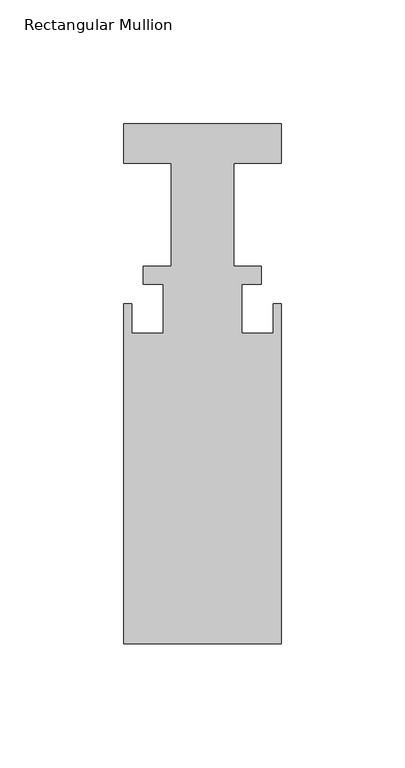
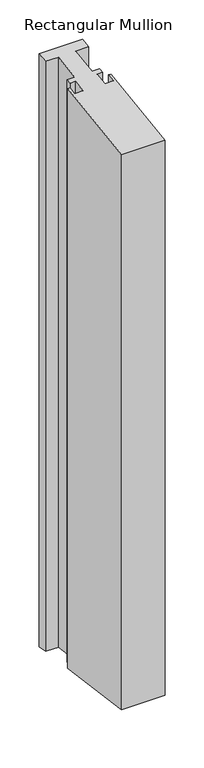
"""IFC4 building model written with IfcOpenShell, lengths in millimetres: member geometry, Rectangular Mullion."""

import ifcopenshell
import ifcopenshell.guid

model = None  # the IFC model being written
_history = None  # IfcOwnerHistory: only IFC2X3 demands one
_inside = {}  # id of a spatial element -> (the spatial element, [elements in it])
_under = {}  # id of a project, library or spatial element -> (it, [spatial elements below it])
_declared = {}  # id of a project -> (the project, [libraries it declares])
_typed = {}  # id of a type object -> (the type object, [elements of that type])
_made_of = {}  # id of a material, layer set ... -> (it, [elements and type objects made of it])


def new_model(schema):
    """Start an empty IFC model of exactly this schema.

    Asked for "IFC4X3", IfcOpenShell would pick the latest addendum, in which some entities
    have other attributes; the version numbers below select the first issue.
    IFC2X3 requires an IfcOwnerHistory on every rooted entity: one is made here for all.
    """
    global model, _history
    if schema == "IFC4X3":
        model = ifcopenshell.file(schema_version=(4, 3, 0, 0))
    else:
        model = ifcopenshell.file(schema=schema)
    _inside.clear()
    _under.clear()
    _declared.clear()
    _typed.clear()
    _made_of.clear()
    _history = None
    if model.schema == "IFC2X3":
        org = make("IfcOrganization", Name="unknown")
        user = make(
            "IfcPersonAndOrganization",
            ThePerson=make("IfcPerson", FamilyName="unknown"),
            TheOrganization=org,
        )
        app = make(
            "IfcApplication",
            ApplicationDeveloper=org,
            Version="unknown",
            ApplicationFullName="unknown",
            ApplicationIdentifier="unknown",
        )
        _history = make(
            "IfcOwnerHistory",
            OwningUser=user,
            OwningApplication=app,
            ChangeAction="ADDED",
            CreationDate=0,
        )
    return model


def make(cls, **values):
    """One entity of the class cls with the attributes given. An attribute that is None is left unset."""
    return model.create_entity(
        cls, **{name: value for name, value in values.items() if value is not None}
    )


def rooted(cls, **values):
    """An entity with a GlobalId (a new one), such as an element, a storey or a relation."""
    return make(cls, GlobalId=ifcopenshell.guid.new(), OwnerHistory=_history, **values)


def si_unit(unit_type, name, prefix=None):
    """IfcSIUnit, for example si_unit("LENGTHUNIT", "METRE", prefix="MILLI")."""
    return make("IfcSIUnit", UnitType=unit_type, Prefix=prefix, Name=name)


def assignment(units):
    """IfcUnitAssignment: the units of a project."""
    return None if units is None else make("IfcUnitAssignment", Units=units)


def point(xyz):
    """IfcCartesianPoint."""
    return None if xyz is None else make("IfcCartesianPoint", Coordinates=xyz)


def direction(xyz):
    """IfcDirection."""
    return None if xyz is None else make("IfcDirection", DirectionRatios=xyz)


def frame(location, z_axis=None, x_axis=None):
    """IfcAxis2Placement3D, a coordinate frame: its origin and axes. An axis left out is left unset."""
    return make(
        "IfcAxis2Placement3D",
        Location=point(location),
        Axis=direction(z_axis),
        RefDirection=direction(x_axis),
    )


def origin():
    """The frame at (0, 0, 0) with its axes left unset."""
    return frame((0.0, 0.0, 0.0))


def place(relative_to, where):
    """IfcLocalPlacement: puts the frame where relative to a parent placement (None: the world)."""
    return make(
        "IfcLocalPlacement", PlacementRelTo=relative_to, RelativePlacement=where
    )


def context(
    kind, dimensions, precision=None, world=None, true_north=None, identifier=None
):
    """IfcGeometricRepresentationContext, for example the 3D "Model" context."""
    return make(
        "IfcGeometricRepresentationContext",
        ContextIdentifier=identifier,
        ContextType=kind,
        CoordinateSpaceDimension=dimensions,
        Precision=precision,
        WorldCoordinateSystem=world,
        TrueNorth=true_north,
    )


def project(units=None, contexts=None):
    """IfcProject with its units and contexts."""
    return rooted(
        "IfcProject",
        Name="project",
        RepresentationContexts=contexts,
        UnitsInContext=assignment(units),
    )


def spatial(cls, under=None, at=None, **own):
    """A site, building, storey or space (cls), placed at a placement, below another one or the project."""
    s = rooted(cls, ObjectPlacement=at, **own)
    if under is not None:
        _under.setdefault(under.id(), (under, []))[1].append(s)
    return s


def faces_of(points, faces, orient=None, outer=None):
    """IfcFace entities. A face is a list of loops; a loop is a list of indices into points, from 0.

    orient and outer hold one flag for each loop. By default every Orientation is true, the
    first loop of a face is its IfcFaceOuterBound and the others are IfcFaceBound.
    """
    made = []
    for i, loops in enumerate(faces):
        bounds = []
        for j, loop in enumerate(loops):
            is_outer = j == 0 if outer is None else outer[i][j]
            bounds.append(
                make(
                    "IfcFaceOuterBound" if is_outer else "IfcFaceBound",
                    Bound=make("IfcPolyLoop", Polygon=[points[k] for k in loop]),
                    Orientation=True if orient is None else orient[i][j],
                )
            )
        made.append(make("IfcFace", Bounds=bounds))
    return made


def faceted_brep(points, faces, orient=None, outer=None, voids=None):
    """IfcFacetedBrep: a solid bounded by flat faces; with voids (closed shells), ...WithVoids."""
    shared = [point(p) for p in points]
    hull = make("IfcClosedShell", CfsFaces=faces_of(shared, faces, orient, outer))
    if voids is None:
        return make("IfcFacetedBrep", Outer=hull)
    return make(
        "IfcFacetedBrepWithVoids",
        Outer=hull,
        Voids=[
            make(cls, CfsFaces=faces_of(shared, fs, o, b)) for cls, fs, o, b in voids
        ],
    )


def shape(context_of_items, identifier, shape_type, items):
    """IfcShapeRepresentation: the items that make up one representation, for example the "Body"."""
    return make(
        "IfcShapeRepresentation",
        ContextOfItems=context_of_items,
        RepresentationIdentifier=identifier,
        RepresentationType=shape_type,
        Items=items,
    )


def source(mapping_origin, context_of_items, identifier, shape_type, items):
    """IfcRepresentationMap: a shape defined once, which mapped items show again and again."""
    return make(
        "IfcRepresentationMap",
        MappingOrigin=mapping_origin,
        MappedRepresentation=shape(context_of_items, identifier, shape_type, items),
    )


def transform(
    local_origin,
    x_axis=None,
    y_axis=None,
    z_axis=None,
    scale=None,
    scale2=None,
    scale3=None,
    uniform=True,
):
    """IfcCartesianTransformationOperator3D, or its non-uniform kind. x_axis, y_axis, z_axis: its Axis1, 2, 3."""
    if uniform:
        return make(
            "IfcCartesianTransformationOperator3D",
            Axis1=direction(x_axis),
            Axis2=direction(y_axis),
            LocalOrigin=point(local_origin),
            Scale=scale,
            Axis3=direction(z_axis),
        )
    return make(
        "IfcCartesianTransformationOperator3DnonUniform",
        Axis1=direction(x_axis),
        Axis2=direction(y_axis),
        LocalOrigin=point(local_origin),
        Scale=scale,
        Axis3=direction(z_axis),
        Scale2=scale2,
        Scale3=scale3,
    )


def mapped(mapping_source, mapping_target):
    """IfcMappedItem: shows the shape of a source again, moved by a transform."""
    return make(
        "IfcMappedItem", MappingSource=mapping_source, MappingTarget=mapping_target
    )


def made_of(thing, what):
    """Note that an element or type object is made of a material, layer set ...; save() writes the relation."""
    if what is not None:
        _made_of.setdefault(what.id(), (what, []))[1].append(thing)
    return thing


def element(
    cls,
    number,
    at=None,
    inside=None,
    cuts=None,
    type_object=None,
    material=None,
    context=None,
    identifier="Body",
    shape_type=None,
    held_by="IfcProductDefinitionShape",
    body=None,
    shapes=None,
    **own,
):
    """One element of the class cls, such as IfcWall. Its Tag is "e" and its number.

    at: its placement. inside: the storey or other place that contains it. cuts: it is an
    opening in that element (IfcRelVoidsElement). A single representation is given by context,
    identifier, shape_type and body (its items); several are given by shapes. held_by: the class
    of the entity that holds the representations. save() writes the other relations.
    """
    e = rooted(cls, Tag="e%d" % number, ObjectPlacement=at, **own)
    if body is not None:
        shapes = [shape(context, identifier, shape_type, body)]
    if shapes is not None:
        e.Representation = make(held_by, Representations=shapes)
    if inside is not None:
        _inside.setdefault(inside.id(), (inside, []))[1].append(e)
    if cuts is not None:
        rooted(
            "IfcRelVoidsElement", RelatingBuildingElement=cuts, RelatedOpeningElement=e
        )
    if type_object is not None:
        _typed.setdefault(type_object.id(), (type_object, []))[1].append(e)
    return made_of(e, material)


def aggregate(whole, parts):
    """IfcRelAggregates: a whole, such as a stair, and the parts it consists of."""
    return rooted("IfcRelAggregates", RelatingObject=whole, RelatedObjects=parts)


def save(model, path):
    """Write the relations noted so far, then the file.

    IfcRelAggregates (storeys below a building ...), IfcRelContainedInSpatialStructure (elements
    in a storey), IfcRelDefinesByType, IfcRelAssociatesMaterial and IfcRelDeclares: one each for
    every whole, place, type object, material and project.
    """
    for whole, parts in _under.values():
        aggregate(whole, parts)
    for where, things in _inside.values():
        rooted(
            "IfcRelContainedInSpatialStructure",
            RelatedElements=things,
            RelatingStructure=where,
        )
    for kind, things in _typed.values():
        rooted("IfcRelDefinesByType", RelatedObjects=things, RelatingType=kind)
    for what, things in _made_of.values():
        rooted("IfcRelAssociatesMaterial", RelatedObjects=things, RelatingMaterial=what)
    for by, libraries in _declared.values():
        rooted("IfcRelDeclares", RelatingContext=by, RelatedDefinitions=libraries)
    model.write(path)


def rectangular_mullion_1bd0cafe(model_context):
    return source(origin(), model_context, "Body", "Brep", [
        faceted_brep([(-31.75, 4.8006, 0.6746803), (-31.75, 20.6756, 2.9057661), (-31.75, 20.6756, -917.3057661), (-31.75, 4.8006, -915.0746803), (-12.7, 4.8006, 0.6746803), (-12.7, 4.8006, -915.0746803), (-12.7, -36.8554, -5.1796887), (-12.7, -36.8554, -909.2203113), (-23.8252, -36.8554, -5.1796887), (-23.8252, -36.8554, -909.2203113), (-23.8252, -44.0182, -6.1863546), (-23.8252, -44.0182, -908.2136454), (-15.875, -44.0182, -6.1863546), (-15.875, -44.0182, -908.2136454), (-15.875, -63.8302, -8.9707496), (-15.875, -63.8302, -905.4292504), (-28.575, -63.8302, -8.9707496), (-28.575, -63.8302, -905.4292504), (-28.575, -51.9176, -7.2965428), (-28.575, -51.9176, -907.1034572), (-31.75, -51.9176, -7.2965428), (-31.75, -51.9176, -907.1034572), (-31.75, -189.2554, -26.5981119), (-31.75, -189.2554, -887.8018881), (31.75, -189.2554, -26.5981119), (31.75, -189.2554, -887.8018881), (31.75, -51.9176, -7.2965428), (31.75, -51.9176, -907.1034572), (28.575, -51.9176, -7.2965428), (28.575, -51.9176, -907.1034572), (28.575, -63.8302, -8.9707496), (28.575, -63.8302, -905.4292504), (15.875, -63.8302, -8.9707496), (15.875, -63.8302, -905.4292504), (15.875, -44.0182, -6.1863546), (15.875, -44.0182, -908.2136454), (23.8252, -44.0182, -6.1863546), (23.8252, -44.0182, -908.2136454), (23.8252, -36.8554, -5.1796887), (23.8252, -36.8554, -909.2203113), (12.7, -36.8554, -5.1796887), (12.7, -36.8554, -909.2203113), (12.7, 4.8006, 0.6746803), (12.7, 4.8006, -915.0746803), (31.75, 4.8006, 0.6746803), (31.75, 4.8006, -915.0746803), (31.75, 20.6756, 2.9057661), (31.75, 20.6756, -917.3057661)], [[[0, 1, 2, 3]], [[4, 0, 3, 5]], [[6, 4, 5, 7]], [[8, 6, 7, 9]], [[10, 8, 9, 11]], [[12, 10, 11, 13]], [[14, 12, 13, 15]], [[16, 14, 15, 17]], [[18, 16, 17, 19]], [[20, 18, 19, 21]], [[22, 20, 21, 23]], [[24, 22, 23, 25]], [[26, 24, 25, 27]], [[28, 26, 27, 29]], [[30, 28, 29, 31]], [[32, 30, 31, 33]], [[34, 32, 33, 35]], [[36, 34, 35, 37]], [[38, 36, 37, 39]], [[40, 38, 39, 41]], [[42, 40, 41, 43]], [[44, 42, 43, 45]], [[46, 44, 45, 47]], [[1, 46, 47, 2]], [[1, 0, 4, 6, 8, 10, 12, 14, 16, 18, 20, 22, 24, 26, 28, 30, 32, 34, 36, 38, 40, 42, 44, 46]], [[2, 47, 45, 43, 41, 39, 37, 35, 33, 31, 29, 27, 25, 23, 21, 19, 17, 15, 13, 11, 9, 7, 5, 3]]]),
    ])


if __name__ == "__main__":
    model = new_model("IFC4")
    model_context = context("Model", 3, world=origin())
    ifc_project = project(units=[si_unit("LENGTHUNIT", "METRE", prefix="MILLI")], contexts=[model_context])
    site = spatial("IfcSite", under=ifc_project)
    building = spatial("IfcBuilding", under=site)
    placement = place(None, origin())
    rectangular_mullion_shape = rectangular_mullion_1bd0cafe(model_context)
    element("IfcMember", 1, ObjectType="Rectangular Mullion", at=placement, inside=building, context=model_context, shape_type="MappedRepresentation", body=[
        mapped(rectangular_mullion_shape, transform((0.0, 0.0, 0.0), x_axis=(1.0, 0.0, 0.0), y_axis=(0.0, 1.0, 0.0), z_axis=(0.0, 0.0, 1.0))),
    ])
    save(model, "model.ifc")
